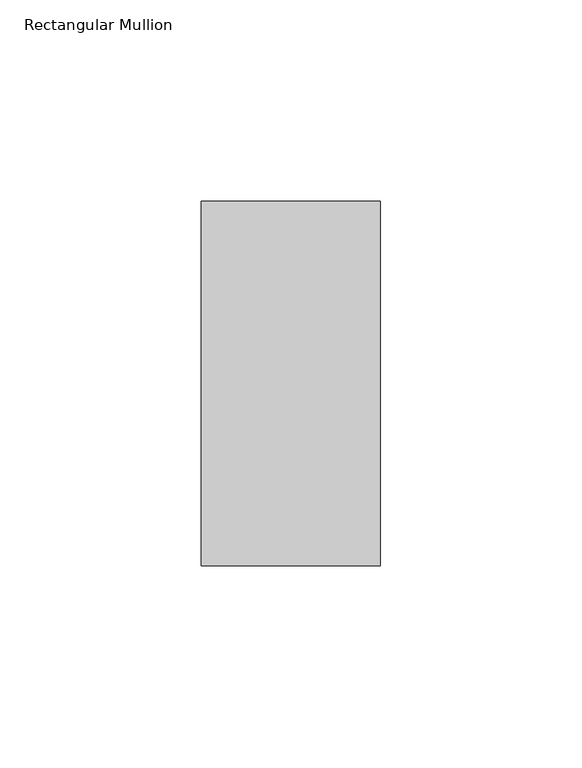
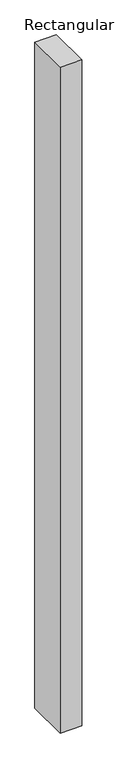
"""IFC4 building model written with IfcOpenShell, lengths in millimetres: member geometry, Rectangular Mullion."""

from ifc_helpers import new_model, si_unit, frame, origin, place, context, project, spatial, polyline, outline, extrude, source, transform, mapped, element, save


def rectangular_mullion_fc4f48e4(model_context):
    return source(origin(), model_context, "Body", "SweptSolid", [
        extrude(outline(polyline([(22.225, 33.3188232), (22.225, -57.1373), (-22.225, -57.1373), (-22.225, 33.3188232), (22.225, 33.3188232)])), frame((0.0, 0.0, -1457.325), z_axis=(0.0, 0.0, 1.0), x_axis=(1.0, 0.0, 0.0)), (0.0, 0.0, 1.0), 1457.325),
    ])


if __name__ == "__main__":
    model = new_model("IFC4")
    model_context = context("Model", 3, world=origin())
    ifc_project = project(units=[si_unit("LENGTHUNIT", "METRE", prefix="MILLI")], contexts=[model_context])
    site = spatial("IfcSite", under=ifc_project)
    building = spatial("IfcBuilding", under=site)
    placement = place(None, origin())
    rectangular_mullion_shape = rectangular_mullion_fc4f48e4(model_context)
    element("IfcMember", 1, ObjectType="Rectangular Mullion", at=placement, inside=building, context=model_context, shape_type="MappedRepresentation", body=[
        mapped(rectangular_mullion_shape, transform((0.0, 0.0, 0.0), x_axis=(1.0, 0.0, 0.0), y_axis=(0.0, 1.0, 0.0), z_axis=(0.0, 0.0, 1.0))),
    ])
    save(model, "model.ifc")
